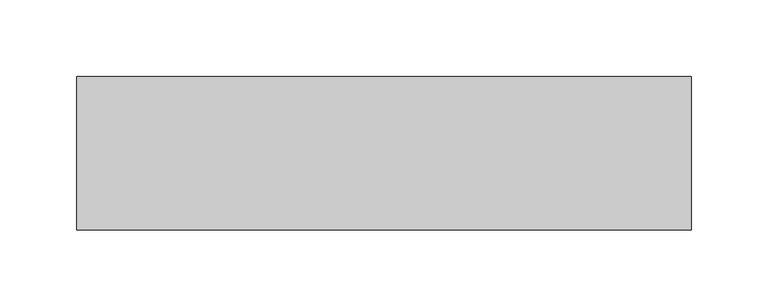
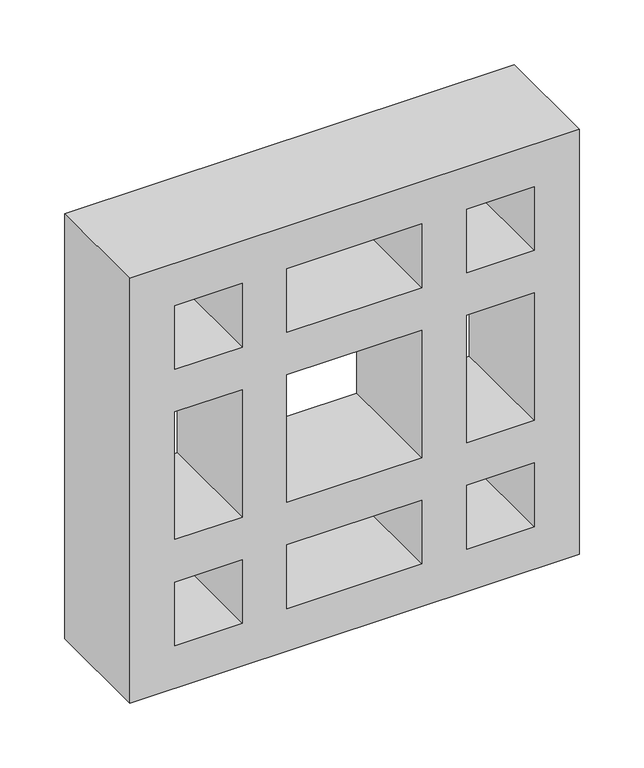
"""IFC4 building model written with IfcOpenShell, lengths in millimetres: plate geometry."""

from ifc_helpers import new_model, si_unit, frame, origin, place, context, project, spatial, polyline, outline, extrude, source, transform, mapped, element, save


def plate_1b1c4a9a(model_context):
    return source(origin(), model_context, "Body", "SweptSolid", [
        extrude(outline(polyline([(400.0, -200.0), (0.0, -200.0), (0.0, 200.0), (400.0, 200.0), (400.0, -200.0)]), holes=[polyline([(300.0, -100.0), (300.0, -160.0), (360.0, -160.0), (360.0, -100.0), (300.0, -100.0)]), polyline([(140.0, -100.0), (140.0, -160.0), (260.0, -160.0), (260.0, -100.0), (140.0, -100.0)]), polyline([(40.0, -100.0), (40.0, -160.0), (100.0, -160.0), (100.0, -100.0), (40.0, -100.0)]), polyline([(100.0, -60.0), (100.0, 60.0), (40.0, 60.0), (40.0, -60.0), (100.0, -60.0)]), polyline([(140.0, -60.0), (260.0, -60.0), (260.0, 60.0), (140.0, 60.0), (140.0, -60.0)]), polyline([(300.0, -60.0), (360.0, -60.0), (360.0, 60.0), (300.0, 60.0), (300.0, -60.0)]), polyline([(300.0, 100.0), (360.0, 100.0), (360.0, 160.0), (300.0, 160.0), (300.0, 100.0)]), polyline([(260.0, 100.0), (260.0, 160.0), (140.0, 160.0), (140.0, 100.0), (260.0, 100.0)]), polyline([(100.0, 160.0), (40.0, 160.0), (40.0, 100.0), (100.0, 100.0), (100.0, 160.0)])]), frame((0.0, -100.0, 0.0), z_axis=(0.0, 1.0, 0.0), x_axis=(0.0, 0.0, 1.0)), (0.0, 0.0, 1.0), 100.0),
    ])


if __name__ == "__main__":
    model = new_model("IFC4")
    model_context = context("Model", 3, world=origin())
    ifc_project = project(units=[si_unit("LENGTHUNIT", "METRE", prefix="MILLI")], contexts=[model_context])
    site = spatial("IfcSite", under=ifc_project)
    building = spatial("IfcBuilding", under=site)
    placement = place(None, origin())
    plate_shape = plate_1b1c4a9a(model_context)
    element("IfcPlate", 1, at=placement, inside=building, context=model_context, shape_type="MappedRepresentation", body=[
        mapped(plate_shape, transform((0.0, 0.0, 0.0), x_axis=(1.0, 0.0, 0.0), y_axis=(0.0, 1.0, 0.0), z_axis=(0.0, 0.0, 1.0))),
    ])
    save(model, "model.ifc")
